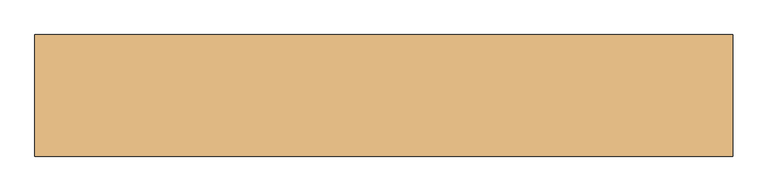
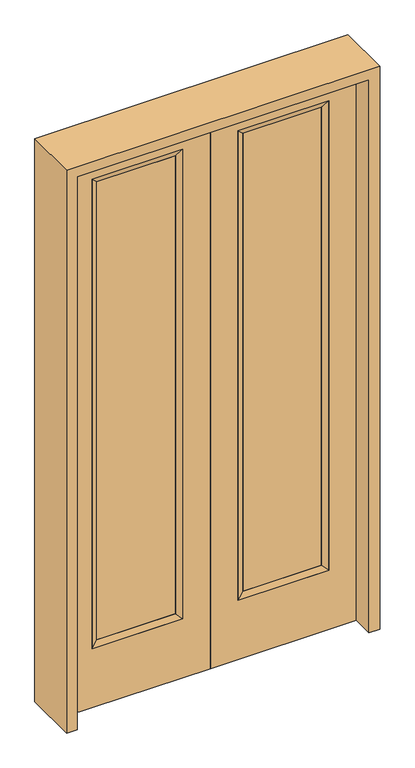
"""IFC4 building model written with IfcOpenShell, lengths in millimetres: door geometry."""

from ifc_helpers import new_model, si_unit, frame, origin, place, context, project, spatial, polyline, outline, extrude, faceted_brep, source, transform, mapped, element, save


def door_8fae675f(model_context):
    return source(origin(), model_context, "Body", "SolidModel", [
        extrude(outline(polyline([(140.8176, -12.7039749), (140.8176, 14.2875), (468.7824, 14.2875), (468.7824, -12.7039749), (140.8176, -12.7039749)])), frame((0.0, 0.0, 285.75), z_axis=(0.0, 0.0, 1.0), x_axis=(1.0, 0.0, 0.0)), (0.0, 0.0, 1.0), 2019.3),
        faceted_brep([(140.8176, 14.2875, 2305.05), (140.8176, 14.2875, 285.75), (115.4176, 22.225, 260.35), (115.4176, 22.225, 2330.45), (115.4176, -22.225, 260.35), (115.4176, -22.225, 2330.45), (468.7824, 14.2875, 285.75), (494.1824, 22.225, 260.35), (140.8176, -12.7039749, 2305.05), (140.8176, -12.7039749, 285.75), (468.7824, -12.7039749, 285.75), (494.1824, -22.225, 260.35), (468.7824, 14.2875, 2305.05), (494.1824, 22.225, 2330.45), (468.7824, -12.7039749, 2305.05), (494.1824, -22.225, 2330.45)], [[[0, 1, 2, 3]], [[3, 2, 4, 5]], [[1, 6, 7, 2]], [[8, 9, 1, 0]], [[9, 10, 6, 1]], [[5, 4, 9, 8]], [[4, 11, 10, 9]], [[2, 7, 11, 4]], [[6, 12, 13, 7]], [[10, 14, 12, 6]], [[11, 15, 14, 10]], [[7, 13, 15, 11]], [[12, 0, 3, 13]], [[14, 8, 0, 12]], [[15, 5, 8, 14]], [[13, 3, 5, 15]]]),
        extrude(outline(polyline([(0.0, 609.6), (2438.4, 609.6), (2438.4, 0.0), (0.0, 0.0), (0.0, 609.6)]), holes=[polyline([(260.35, 494.1824), (260.35, 115.4176), (2330.45, 115.4176), (2330.45, 494.1824), (260.35, 494.1824)])]), frame((0.0, -22.225, 0.0), z_axis=(0.0, 1.0, 0.0), x_axis=(0.0, 0.0, 1.0)), (0.0, 0.0, 1.0), 44.45),
        extrude(outline(polyline([(-140.8176, -12.7039749), (-468.7824, -12.7039749), (-468.7824, 14.2875), (-140.8176, 14.2875), (-140.8176, -12.7039749)])), frame((0.0, 0.0, 285.75), z_axis=(0.0, 0.0, 1.0), x_axis=(1.0, 0.0, 0.0)), (0.0, 0.0, 1.0), 2019.3),
        faceted_brep([(-140.8176, 14.2875, 2305.05), (-115.4176, 22.225, 2330.45), (-115.4176, 22.225, 260.35), (-140.8176, 14.2875, 285.75), (-115.4176, -22.225, 2330.45), (-115.4176, -22.225, 260.35), (-494.1824, 22.225, 260.35), (-468.7824, 14.2875, 285.75), (-140.8176, -12.7039749, 2305.05), (-140.8176, -12.7039749, 285.75), (-468.7824, -12.7039749, 285.75), (-494.1824, -22.225, 260.35), (-494.1824, 22.225, 2330.45), (-468.7824, 14.2875, 2305.05), (-468.7824, -12.7039749, 2305.05), (-494.1824, -22.225, 2330.45)], [[[0, 1, 2, 3]], [[1, 4, 5, 2]], [[3, 2, 6, 7]], [[8, 0, 3, 9]], [[9, 3, 7, 10]], [[4, 8, 9, 5]], [[5, 9, 10, 11]], [[2, 5, 11, 6]], [[7, 6, 12, 13]], [[10, 7, 13, 14]], [[11, 10, 14, 15]], [[6, 11, 15, 12]], [[13, 12, 1, 0]], [[14, 13, 0, 8]], [[15, 14, 8, 4]], [[12, 15, 4, 1]]]),
        extrude(outline(polyline([(0.0, -609.6), (0.0, 0.0), (2438.4, 0.0), (2438.4, -609.6), (0.0, -609.6)]), holes=[polyline([(260.35, -494.1824), (2330.45, -494.1824), (2330.45, -115.4176), (260.35, -115.4176), (260.35, -494.1824)])]), frame((0.0, -22.225, 0.0), z_axis=(0.0, 1.0, 0.0), x_axis=(0.0, 0.0, 1.0)), (0.0, 0.0, 1.0), 44.45),
        extrude(outline(polyline([(2482.85, -654.05), (0.0, -654.05), (0.0, -609.6), (2438.4, -609.6), (2438.4, 609.6), (0.0, 609.6), (0.0, 654.05), (2482.85, 654.05), (2482.85, -654.05)])), frame((0.0, -114.3, 0.0), z_axis=(0.0, 1.0, 0.0), x_axis=(0.0, 0.0, 1.0)), (0.0, 0.0, 1.0), 228.6),
    ])


if __name__ == "__main__":
    model = new_model("IFC4")
    model_context = context("Model", 3, world=origin())
    ifc_project = project(units=[si_unit("LENGTHUNIT", "METRE", prefix="MILLI")], contexts=[model_context])
    site = spatial("IfcSite", under=ifc_project)
    building = spatial("IfcBuilding", under=site)
    placement = place(None, origin())
    door_shape = door_8fae675f(model_context)
    element("IfcDoor", 1, at=placement, inside=building, context=model_context, shape_type="MappedRepresentation", body=[
        mapped(door_shape, transform((0.0, 0.0, 0.0), x_axis=(1.0, 0.0, 0.0), y_axis=(0.0, 1.0, 0.0), z_axis=(0.0, 0.0, 1.0))),
    ])
    save(model, "model.ifc")
